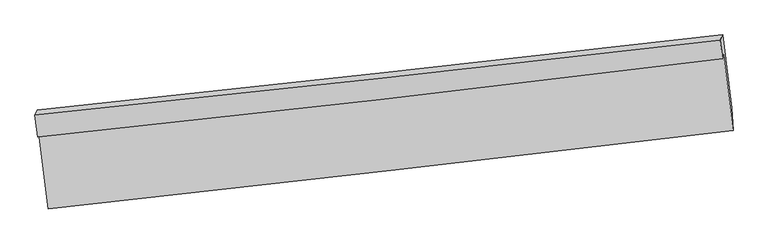
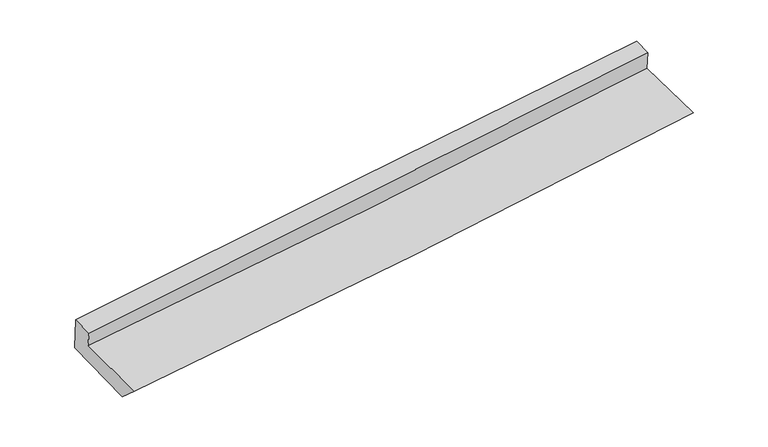
"""IFC4 building model written with IfcOpenShell, lengths in millimetres: proxy geometry."""

from ifc_helpers import new_model, si_unit, frame, origin, place, context, project, spatial, source, transform, mapped, element, save
from ifc_brep_helpers import plane_surface, spline_curve, spline_surface, advanced_brep


def generic_models_434420f0(model_context):
    return source(origin(), model_context, "Body", "AdvancedBrep", [
        advanced_brep(
        [(-3019.7671254, -1856.3095181, 1782.1469994), (-2936.2601567, -2516.4143301, 1669.257043), (3052.0177095, -1828.7992368, 2101.7694065), (2969.302886, -1165.8161122, 2199.6127865), (-3027.7789375, -1886.0129764, 1935.2343363), (2959.4688956, -1202.2752203, 2387.5177672), (-3052.0389143, -1695.5884782, 1970.0877763), (2938.7262734, -1039.4595888, 2417.3179499), (-3032.475975, -1650.5413165, 1638.3060105), (2959.4827473, -991.6641004, 2065.2941828), (-2945.8078245, -2318.6063122, 1495.1052683), (3042.3925965, -1630.7589438, 1928.3032365)],
        [
            (0, 1),
            (1, 2, spline_curve(3, [(-2936.2601567, -2516.4143301, 1669.257043), (-1936.457617034, -2405.475617748, 1723.212279015), (-937.528422271, -2292.704437683, 1786.233025625), (1058.564166516, -2063.499336569, 1930.404160654), (2055.727593557, -1947.06548533, 2011.554201635), (3052.0177095, -1828.7992368, 2101.7694065)], [4, 2, 4], [0.0, 9.913714712184985, 19.827239594753618])),
            (2, 3),
            (3, 0, spline_curve(3, [(2969.302886, -1165.8161122, 2199.6127865), (1972.609859292, -1285.467448025, 2116.930091973), (975.178963766, -1402.8337039, 2040.800199436), (-1021.17767825, -1632.998260338, 1901.644685863), (-2020.103453415, -1745.7964729, 1838.619316345), (-3019.7671254, -1856.3095181, 1782.1469994)], [4, 2, 4], [0.0, 9.913524882568632, 19.827239594753618])),
            (4, 0),
            (3, 5),
            (5, 4, spline_curve(3, [(2959.4688956, -1202.2752203, 2387.5177672), (1961.976621812, -1324.889731892, 2320.106853775), (964.297944205, -1443.174630348, 2248.711510153), (-1031.451326673, -1671.087381331, 2097.950518833), (-2029.521926662, -1780.715068705, 2018.584719123), (-3027.7789375, -1886.0129764, 1935.2343363)], [4, 2, 4], [0.0, 9.913220825854381, 19.82663147550287])),
            (6, 4),
            (5, 7),
            (7, 6, spline_curve(3, [(2938.7262734, -1039.4595888, 2417.3179499), (1940.162289856, -1153.661900712, 2351.446723048), (941.65464509, -1265.439964007, 2281.242327117), (-1055.267086584, -1484.14968636, 2132.165768397), (-2053.681170641, -1591.081253126, 2053.293440002), (-3052.0389143, -1695.5884782, 1970.0877763)], [4, 2, 4], [0.0, 9.913323993997508, 19.826837813764648])),
            (8, 6),
            (7, 9),
            (9, 8, spline_curve(3, [(2959.4827473, -991.6641004, 2065.2941828), (1961.111842111, -1105.421815275, 1996.148404639), (962.601277668, -1217.206600451, 1925.993518033), (-1034.718290771, -1436.832414687, 1783.66416608), (-2033.527300784, -1544.673368038, 1711.4896616), (-3032.475975, -1650.5413165, 1638.3060105)], [4, 2, 4], [0.0, 9.913295659620035, 19.826781144467137])),
            (10, 8),
            (9, 11),
            (11, 10, spline_curve(3, [(3042.3925965, -1630.7589438, 1928.3032365), (2045.075893369, -1752.64277494, 1857.415613019), (1047.40562082, -1870.904790042, 1785.872322609), (-948.661172329, -2100.187385152, 1641.473024686), (-1947.057707063, -2211.207825723, 1568.616992636), (-2945.8078245, -2318.6063122, 1495.1052683)], [4, 2, 4], [0.0, 9.913229527464736, 19.826648878890204])),
            (1, 10),
            (11, 2),
        ],
        [
            spline_surface(3, 3, [[(-3019.7671254, -1856.3095181, 1782.1469994), (-2020.10345328, -1745.796472801, 1838.619316216), (-1021.177678347, -1632.998260184, 1901.64468599), (975.178963863, -1402.833704054, 2040.800199309), (1972.609859393, -1285.467448006, 2116.930091908), (2969.302886, -1165.8161122, 2199.6127865)], [(-2991.931469151, -2076.344455432, 1744.517013945), (-1992.221507835, -1965.689521136, 1800.150303777), (-993.29459298, -1852.900319358, 1863.174132534), (1002.974031368, -1623.055581517, 2004.001519742), (2000.315770842, -1506.000127141, 2081.804795175), (2996.874493848, -1386.810487064, 2166.998326494)], [(-2964.095812949, -2296.379392768, 1706.887028455), (-1964.339562436, -2185.582569473, 1761.681291304), (-965.411507556, -2072.802378583, 1824.703579103), (1030.769098929, -1843.277459031, 1967.2028402), (2028.021682246, -1726.532806283, 2046.679498459), (3024.446101652, -1607.804861936, 2134.383866506)], [(-2936.2601567, -2516.4143301, 1669.257043), (-1936.457616991, -2405.475617808, 1723.212278866), (-937.528422189, -2292.704437757, 1786.233025647), (1058.564166434, -2063.499336495, 1930.404160632), (2055.727593695, -1947.065485418, 2011.554201726), (3052.0177095, -1828.7992368, 2101.7694065)]], [4, 4], [4, 2, 4], [0.0, 2.2144279996034246], [0.0, 9.913714712184985, 19.827239594753618]),
            spline_surface(3, 3, [[(-3027.7789375, -1886.0129764, 1935.2343363), (-2029.521926553, -1780.715068585, 2018.584718968), (-1031.45132652, -1671.087381426, 2097.95051897), (964.297944051, -1443.174630252, 2248.711510017), (1961.976621699, -1324.889732032, 2320.106853634), (2959.4688956, -1202.2752203, 2387.5177672)], [(-3025.10833347, -1876.111823624, 1884.205223996), (-2026.382435466, -1769.075536648, 1958.596251381), (-1028.026777116, -1658.391007699, 2032.515241336), (967.924950668, -1429.727654873, 2179.407739807), (1965.521034252, -1311.74897069, 2252.381266377), (2962.746892389, -1190.122184267, 2324.882773618)], [(-3022.43772943, -1866.210670876, 1833.176111704), (-2023.242944367, -1757.436004738, 1898.607783804), (-1024.602227751, -1645.694633911, 1967.079963624), (971.551957246, -1416.280679433, 2110.103969519), (1969.06544684, -1298.608209347, 2184.655679165), (2966.024889211, -1177.969148233, 2262.247780082)], [(-3019.7671254, -1856.3095181, 1782.1469994), (-2020.10345328, -1745.796472801, 1838.619316216), (-1021.177678347, -1632.998260184, 1901.64468599), (975.178963863, -1402.833704054, 2040.800199309), (1972.609859393, -1285.467448006, 2116.930091908), (2969.302886, -1165.8161122, 2199.6127865)]], [4, 4], [4, 2, 4], [0.0, 0.6763427859975334], [0.0, 9.91341064964849, 19.82663147550287]),
            spline_surface(3, 3, [[(-3052.0389143, -1695.5884782, 1970.0877763), (-2053.681170795, -1591.0812532, 2053.29344011), (-1055.26708643, -1484.149686494, 2132.165768456), (941.654644937, -1265.439963872, 2281.242327058), (1940.162289853, -1153.661900737, 2351.446723208), (2938.7262734, -1039.4595888, 2417.3179499)], [(-3043.95225538, -1759.063310945, 1958.469962977), (-2045.628089395, -1654.292525007, 2041.723866406), (-1047.328499791, -1546.462251443, 2120.760685276), (949.202411311, -1324.684852637, 2270.39872136), (1947.433733822, -1210.737844499, 2341.000100016), (2945.64048082, -1093.731465964, 2407.384555666)], [(-3035.86559642, -1822.538143655, 1946.852149623), (-2037.575007954, -1717.503796778, 2030.154292672), (-1039.389913159, -1608.774816477, 2109.355602149), (956.750177677, -1383.929741488, 2259.555115715), (1954.70517773, -1267.813788269, 2330.553476826), (2952.55468818, -1148.003343136, 2397.451161434)], [(-3027.7789375, -1886.0129764, 1935.2343363), (-2029.521926553, -1780.715068585, 2018.584718968), (-1031.45132652, -1671.087381426, 2097.95051897), (964.297944051, -1443.174630252, 2248.711510017), (1961.976621699, -1324.889732032, 2320.106853634), (2959.4688956, -1202.2752203, 2387.5177672)]], [4, 4], [4, 2, 4], [0.0, 0.612910479440835], [0.0, 9.91351381976714, 19.826837813764648]),
            spline_surface(3, 3, [[(-3032.475975, -1650.5413165, 1638.3060105), (-2033.527300817, -1544.673368072, 1711.4896617), (-1034.718290928, -1436.832414698, 1783.664165995), (962.601277825, -1217.206600439, 1925.993518118), (1961.111842032, -1105.421815114, 1996.148404585), (2959.4827473, -991.6641004, 2065.2941828)], [(-3038.996954747, -1665.557037045, 1748.899932432), (-2040.245257457, -1560.142663093, 1825.424254502), (-1041.567889447, -1452.604838658, 1899.831366822), (955.619066844, -1233.284388278, 2044.409787771), (1954.128657967, -1121.501843654, 2114.581177475), (2952.563922661, -1007.595929866, 2182.635438515)], [(-3045.517934553, -1680.572757655, 1859.493854368), (-2046.963214156, -1575.611958179, 1939.358847308), (-1048.417487911, -1468.377262535, 2015.998567629), (948.636855918, -1249.362176034, 2162.826057405), (1947.145473919, -1137.581872197, 2233.013950319), (2945.645098039, -1023.527759334, 2299.976694185)], [(-3052.0389143, -1695.5884782, 1970.0877763), (-2053.681170795, -1591.0812532, 2053.29344011), (-1055.26708643, -1484.149686494, 2132.165768456), (941.654644937, -1265.439963872, 2281.242327058), (1940.162289853, -1153.661900737, 2351.446723208), (2938.7262734, -1039.4595888, 2417.3179499)]], [4, 4], [4, 2, 4], [0.0, 1.1670250616892595], [0.0, 9.913485484847103, 19.826781144467137]),
            spline_surface(3, 3, [[(-2945.8078245, -2318.6063122, 1495.1052683), (-1947.057707197, -2211.207825739, 1568.616992643), (-948.661172489, -2100.187385022, 1641.473024824), (1047.405620981, -1870.904790171, 1785.872322471), (2045.075893252, -1752.642774777, 1857.415612974), (3042.3925965, -1630.7589438, 1928.3032365)], [(-2974.69720801, -2095.917980304, 1542.838849041), (-1975.880905081, -1989.029673187, 1616.24121567), (-977.34687862, -1879.069061564, 1688.870071882), (1019.137506611, -1653.005393577, 1832.579387688), (2017.087876159, -1536.902454904, 1903.65987683), (3014.75598008, -1417.727329348, 1973.966885252)], [(-3003.58659149, -1873.229648396, 1590.572429759), (-2004.704102934, -1766.851520623, 1663.865438673), (-1006.032584797, -1657.950738157, 1736.267118937), (990.869392195, -1435.105997034, 1879.286452901), (1989.099859125, -1321.162134987, 1949.90414073), (2987.11936372, -1204.695714852, 2019.630534048)], [(-3032.475975, -1650.5413165, 1638.3060105), (-2033.527300817, -1544.673368072, 1711.4896617), (-1034.718290928, -1436.832414698, 1783.664165995), (962.601277825, -1217.206600439, 1925.993518118), (1961.111842032, -1105.421815114, 1996.148404585), (2959.4827473, -991.6641004, 2065.2941828)]], [4, 4], [4, 2, 4], [0.0, 2.227303366588349], [0.0, 9.913419351425468, 19.826648878890204]),
            spline_surface(3, 3, [[(-2936.2601567, -2516.4143301, 1669.257043), (-1936.457616991, -2405.475617808, 1723.212278866), (-937.528422189, -2292.704437757, 1786.233025647), (1058.564166434, -2063.499336495, 1930.404160632), (2055.727593695, -1947.065485418, 2011.554201726), (3052.0177095, -1828.7992368, 2101.7694065)], [(-2939.442712641, -2450.478324149, 1611.206451409), (-1939.990980401, -2340.719687134, 1671.680516767), (-941.239338949, -2228.53208686, 1737.979692031), (1054.844651289, -1999.301154402, 1882.226881237), (2052.177026883, -1882.257915194, 1960.174672163), (3048.809338502, -1762.78580579, 2043.947349854)], [(-2942.625268559, -2384.542318151, 1553.155859891), (-1943.524343787, -2275.963756413, 1620.148754742), (-944.950255729, -2164.359735919, 1689.726358439), (1051.125136125, -1935.102972264, 1834.049601866), (2048.626460064, -1817.450345, 1908.795142537), (3045.600967498, -1696.77237481, 1986.125293146)], [(-2945.8078245, -2318.6063122, 1495.1052683), (-1947.057707197, -2211.207825739, 1568.616992643), (-948.661172489, -2100.187385022, 1641.473024824), (1047.405620981, -1870.904790171, 1785.872322471), (2045.075893252, -1752.642774777, 1857.415612974), (3042.3925965, -1630.7589438, 1928.3032365)]], [4, 4], [4, 2, 4], [0.0, 0.7909777968120162], [0.0, 9.913479960365594, 19.826770095609902]),
            plane_surface(frame((2986.8985181, -1309.7955337, 2183.3025549), z_axis=(0.99088469370586, 0.11274274786585461, 0.07373328002401944), x_axis=(-0.058327724381154564, -0.1343100029884854, 0.989221259206326))),
            plane_surface(frame((-3002.3548222, -1987.2454886, 1748.356239), z_axis=(-0.9908846937058644, -0.11274274786595788, -0.07373328002380172), x_axis=(-0.12373698911981293, 0.9781145593728117, 0.1672754203895295))),
        ],
        [
            (0, [[1, 2, 3, 4]]),
            (1, [[5, -4, 6, 7]]),
            (2, [[8, -7, 9, 10]]),
            (3, [[11, -10, 12, 13]]),
            (4, [[14, -13, 15, 16]]),
            (5, [[17, -16, 18, -2]]),
            (6, [[-12, -9, -6, -3, -18, -15]]),
            (7, [[-1, -5, -8, -11, -14, -17]]),
        ],
    ),
    ])


if __name__ == "__main__":
    model = new_model("IFC4")
    model_context = context("Model", 3, world=origin())
    ifc_project = project(units=[si_unit("LENGTHUNIT", "METRE", prefix="MILLI")], contexts=[model_context])
    site = spatial("IfcSite", under=ifc_project)
    building = spatial("IfcBuilding", under=site)
    placement = place(None, origin())
    generic_models_shape = generic_models_434420f0(model_context)
    element("IfcBuildingElementProxy", 1, Name="Generic Models", at=placement, inside=building, context=model_context, shape_type="MappedRepresentation", body=[
        mapped(generic_models_shape, transform((0.0, 0.0, 0.0), x_axis=(1.0, 0.0, 0.0), y_axis=(0.0, 1.0, 0.0), z_axis=(0.0, 0.0, 1.0))),
    ])
    save(model, "model.ifc")
